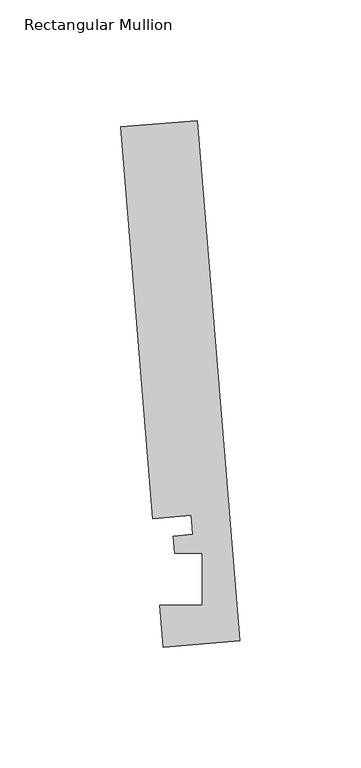
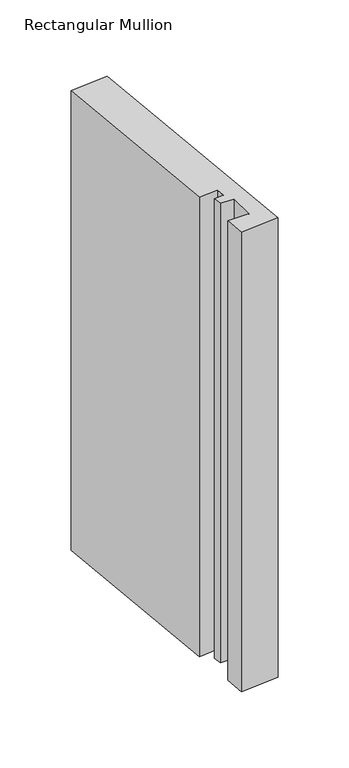
"""IFC4 building model written with IfcOpenShell, lengths in millimetres: member geometry, Rectangular Mullion."""

import ifcopenshell
import ifcopenshell.guid

model = None  # the IFC model being written
_history = None  # IfcOwnerHistory: only IFC2X3 demands one
_inside = {}  # id of a spatial element -> (the spatial element, [elements in it])
_under = {}  # id of a project, library or spatial element -> (it, [spatial elements below it])
_declared = {}  # id of a project -> (the project, [libraries it declares])
_typed = {}  # id of a type object -> (the type object, [elements of that type])
_made_of = {}  # id of a material, layer set ... -> (it, [elements and type objects made of it])


def new_model(schema):
    """Start an empty IFC model of exactly this schema.

    Asked for "IFC4X3", IfcOpenShell would pick the latest addendum, in which some entities
    have other attributes; the version numbers below select the first issue.
    IFC2X3 requires an IfcOwnerHistory on every rooted entity: one is made here for all.
    """
    global model, _history
    if schema == "IFC4X3":
        model = ifcopenshell.file(schema_version=(4, 3, 0, 0))
    else:
        model = ifcopenshell.file(schema=schema)
    _inside.clear()
    _under.clear()
    _declared.clear()
    _typed.clear()
    _made_of.clear()
    _history = None
    if model.schema == "IFC2X3":
        org = make("IfcOrganization", Name="unknown")
        user = make(
            "IfcPersonAndOrganization",
            ThePerson=make("IfcPerson", FamilyName="unknown"),
            TheOrganization=org,
        )
        app = make(
            "IfcApplication",
            ApplicationDeveloper=org,
            Version="unknown",
            ApplicationFullName="unknown",
            ApplicationIdentifier="unknown",
        )
        _history = make(
            "IfcOwnerHistory",
            OwningUser=user,
            OwningApplication=app,
            ChangeAction="ADDED",
            CreationDate=0,
        )
    return model


def make(cls, **values):
    """One entity of the class cls with the attributes given. An attribute that is None is left unset."""
    return model.create_entity(
        cls, **{name: value for name, value in values.items() if value is not None}
    )


def rooted(cls, **values):
    """An entity with a GlobalId (a new one), such as an element, a storey or a relation."""
    return make(cls, GlobalId=ifcopenshell.guid.new(), OwnerHistory=_history, **values)


def si_unit(unit_type, name, prefix=None):
    """IfcSIUnit, for example si_unit("LENGTHUNIT", "METRE", prefix="MILLI")."""
    return make("IfcSIUnit", UnitType=unit_type, Prefix=prefix, Name=name)


def assignment(units):
    """IfcUnitAssignment: the units of a project."""
    return None if units is None else make("IfcUnitAssignment", Units=units)


def point(xyz):
    """IfcCartesianPoint."""
    return None if xyz is None else make("IfcCartesianPoint", Coordinates=xyz)


def direction(xyz):
    """IfcDirection."""
    return None if xyz is None else make("IfcDirection", DirectionRatios=xyz)


def frame(location, z_axis=None, x_axis=None):
    """IfcAxis2Placement3D, a coordinate frame: its origin and axes. An axis left out is left unset."""
    return make(
        "IfcAxis2Placement3D",
        Location=point(location),
        Axis=direction(z_axis),
        RefDirection=direction(x_axis),
    )


def origin():
    """The frame at (0, 0, 0) with its axes left unset."""
    return frame((0.0, 0.0, 0.0))


def place(relative_to, where):
    """IfcLocalPlacement: puts the frame where relative to a parent placement (None: the world)."""
    return make(
        "IfcLocalPlacement", PlacementRelTo=relative_to, RelativePlacement=where
    )


def context(
    kind, dimensions, precision=None, world=None, true_north=None, identifier=None
):
    """IfcGeometricRepresentationContext, for example the 3D "Model" context."""
    return make(
        "IfcGeometricRepresentationContext",
        ContextIdentifier=identifier,
        ContextType=kind,
        CoordinateSpaceDimension=dimensions,
        Precision=precision,
        WorldCoordinateSystem=world,
        TrueNorth=true_north,
    )


def project(units=None, contexts=None):
    """IfcProject with its units and contexts."""
    return rooted(
        "IfcProject",
        Name="project",
        RepresentationContexts=contexts,
        UnitsInContext=assignment(units),
    )


def spatial(cls, under=None, at=None, **own):
    """A site, building, storey or space (cls), placed at a placement, below another one or the project."""
    s = rooted(cls, ObjectPlacement=at, **own)
    if under is not None:
        _under.setdefault(under.id(), (under, []))[1].append(s)
    return s


def polyline(points):
    """IfcPolyline through the points."""
    return make("IfcPolyline", Points=[point(p) for p in points])


def outline(outer, holes=None, kind="AREA"):
    """IfcArbitraryClosedProfileDef: a profile drawn as a closed curve; with holes, ...WithVoids."""
    if holes is None:
        return make("IfcArbitraryClosedProfileDef", ProfileType=kind, OuterCurve=outer)
    return make(
        "IfcArbitraryProfileDefWithVoids",
        ProfileType=kind,
        OuterCurve=outer,
        InnerCurves=holes,
    )


def extrude(swept, where, along, depth):
    """IfcExtrudedAreaSolid: the profile swept, set in the frame where, extruded along a direction by depth."""
    return make(
        "IfcExtrudedAreaSolid",
        SweptArea=swept,
        Position=where,
        ExtrudedDirection=direction(along),
        Depth=depth,
    )


def shape(context_of_items, identifier, shape_type, items):
    """IfcShapeRepresentation: the items that make up one representation, for example the "Body"."""
    return make(
        "IfcShapeRepresentation",
        ContextOfItems=context_of_items,
        RepresentationIdentifier=identifier,
        RepresentationType=shape_type,
        Items=items,
    )


def source(mapping_origin, context_of_items, identifier, shape_type, items):
    """IfcRepresentationMap: a shape defined once, which mapped items show again and again."""
    return make(
        "IfcRepresentationMap",
        MappingOrigin=mapping_origin,
        MappedRepresentation=shape(context_of_items, identifier, shape_type, items),
    )


def transform(
    local_origin,
    x_axis=None,
    y_axis=None,
    z_axis=None,
    scale=None,
    scale2=None,
    scale3=None,
    uniform=True,
):
    """IfcCartesianTransformationOperator3D, or its non-uniform kind. x_axis, y_axis, z_axis: its Axis1, 2, 3."""
    if uniform:
        return make(
            "IfcCartesianTransformationOperator3D",
            Axis1=direction(x_axis),
            Axis2=direction(y_axis),
            LocalOrigin=point(local_origin),
            Scale=scale,
            Axis3=direction(z_axis),
        )
    return make(
        "IfcCartesianTransformationOperator3DnonUniform",
        Axis1=direction(x_axis),
        Axis2=direction(y_axis),
        LocalOrigin=point(local_origin),
        Scale=scale,
        Axis3=direction(z_axis),
        Scale2=scale2,
        Scale3=scale3,
    )


def mapped(mapping_source, mapping_target):
    """IfcMappedItem: shows the shape of a source again, moved by a transform."""
    return make(
        "IfcMappedItem", MappingSource=mapping_source, MappingTarget=mapping_target
    )


def made_of(thing, what):
    """Note that an element or type object is made of a material, layer set ...; save() writes the relation."""
    if what is not None:
        _made_of.setdefault(what.id(), (what, []))[1].append(thing)
    return thing


def element(
    cls,
    number,
    at=None,
    inside=None,
    cuts=None,
    type_object=None,
    material=None,
    context=None,
    identifier="Body",
    shape_type=None,
    held_by="IfcProductDefinitionShape",
    body=None,
    shapes=None,
    **own,
):
    """One element of the class cls, such as IfcWall. Its Tag is "e" and its number.

    at: its placement. inside: the storey or other place that contains it. cuts: it is an
    opening in that element (IfcRelVoidsElement). A single representation is given by context,
    identifier, shape_type and body (its items); several are given by shapes. held_by: the class
    of the entity that holds the representations. save() writes the other relations.
    """
    e = rooted(cls, Tag="e%d" % number, ObjectPlacement=at, **own)
    if body is not None:
        shapes = [shape(context, identifier, shape_type, body)]
    if shapes is not None:
        e.Representation = make(held_by, Representations=shapes)
    if inside is not None:
        _inside.setdefault(inside.id(), (inside, []))[1].append(e)
    if cuts is not None:
        rooted(
            "IfcRelVoidsElement", RelatingBuildingElement=cuts, RelatedOpeningElement=e
        )
    if type_object is not None:
        _typed.setdefault(type_object.id(), (type_object, []))[1].append(e)
    return made_of(e, material)


def aggregate(whole, parts):
    """IfcRelAggregates: a whole, such as a stair, and the parts it consists of."""
    return rooted("IfcRelAggregates", RelatingObject=whole, RelatedObjects=parts)


def save(model, path):
    """Write the relations noted so far, then the file.

    IfcRelAggregates (storeys below a building ...), IfcRelContainedInSpatialStructure (elements
    in a storey), IfcRelDefinesByType, IfcRelAssociatesMaterial and IfcRelDeclares: one each for
    every whole, place, type object, material and project.
    """
    for whole, parts in _under.values():
        aggregate(whole, parts)
    for where, things in _inside.values():
        rooted(
            "IfcRelContainedInSpatialStructure",
            RelatedElements=things,
            RelatingStructure=where,
        )
    for kind, things in _typed.values():
        rooted("IfcRelDefinesByType", RelatedObjects=things, RelatingType=kind)
    for what, things in _made_of.values():
        rooted("IfcRelAssociatesMaterial", RelatedObjects=things, RelatingMaterial=what)
    for by, libraries in _declared.values():
        rooted("IfcRelDeclares", RelatingContext=by, RelatedDefinitions=libraries)
    model.write(path)


def rectangular_mullion_b6b3572c(model_context):
    return source(origin(), model_context, "Body", "SweptSolid", [
        extrude(outline(polyline([(-0.2190396, 2.6699364), (-31.8627302, 0.0739116), (-33.2772473, 17.315866), (-15.8506254, 17.315866), (-15.848851, 38.9474576), (-27.100463, 38.9474576), (-27.6861262, 46.0862742), (-19.7625461, 46.7363188), (-20.4084371, 54.6092691), (-36.2302824, 53.3112566), (-49.5364672, 215.5041572), (-17.8927766, 218.100182), (-0.2190396, 2.6699364)])), frame((0.0, 0.0, -404.3729582), z_axis=(0.0, 0.0, 1.0), x_axis=(1.0, 0.0, 0.0)), (0.0, 0.0, 1.0), 404.3729582),
    ])


if __name__ == "__main__":
    model = new_model("IFC4")
    model_context = context("Model", 3, world=origin())
    ifc_project = project(units=[si_unit("LENGTHUNIT", "METRE", prefix="MILLI")], contexts=[model_context])
    site = spatial("IfcSite", under=ifc_project)
    building = spatial("IfcBuilding", under=site)
    placement = place(None, origin())
    rectangular_mullion_shape = rectangular_mullion_b6b3572c(model_context)
    element("IfcMember", 1, ObjectType="Rectangular Mullion", at=placement, inside=building, context=model_context, shape_type="MappedRepresentation", body=[
        mapped(rectangular_mullion_shape, transform((0.0, 0.0, 0.0), x_axis=(1.0, 0.0, 0.0), y_axis=(0.0, 1.0, 0.0), z_axis=(0.0, 0.0, 1.0))),
    ])
    save(model, "model.ifc")
